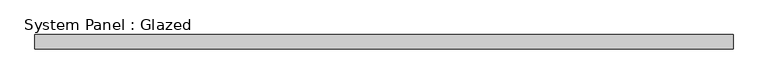
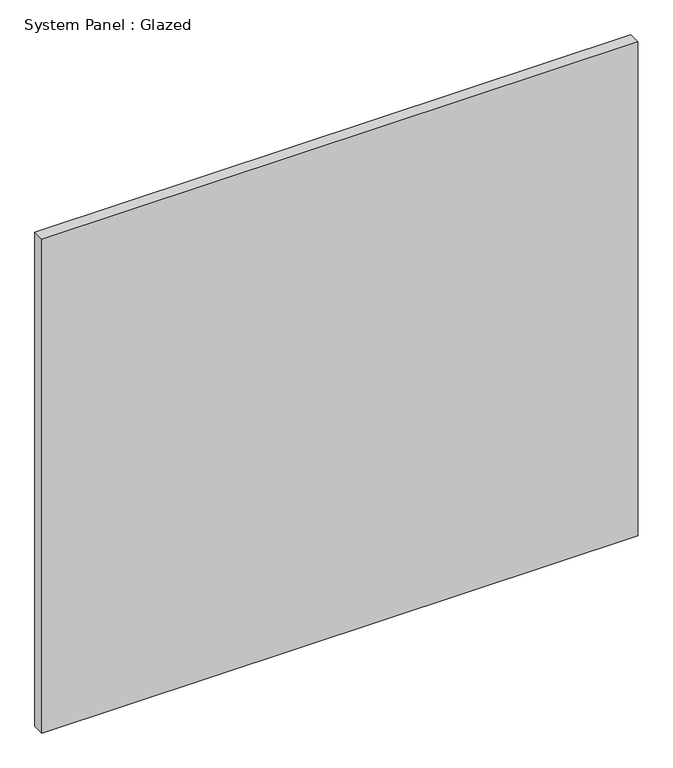
"""IFC4 building model written with IfcOpenShell, lengths in millimetres: plate geometry, System Panel : Glazed."""

from ifc_helpers import new_model, si_unit, origin, origin_with_axes, place, context, project, spatial, polyline, outline, extrude, source, transform, mapped, element, save


def system_panel_glazed_b8a5b8cb(model_context):
    return source(origin(), model_context, "Body", "SweptSolid", [
        extrude(outline(polyline([(610.0000002, 24.5), (-610.0000002, 24.5), (-610.0000002, 49.5), (610.0000002, 49.5), (610.0000002, 24.5)])), origin_with_axes(), (0.0, 0.0, 1.0), 1069.3619882),
    ])


if __name__ == "__main__":
    model = new_model("IFC4")
    model_context = context("Model", 3, world=origin())
    ifc_project = project(units=[si_unit("LENGTHUNIT", "METRE", prefix="MILLI")], contexts=[model_context])
    site = spatial("IfcSite", under=ifc_project)
    building = spatial("IfcBuilding", under=site)
    placement = place(None, origin())
    system_panel_glazed_shape = system_panel_glazed_b8a5b8cb(model_context)
    element("IfcPlate", 1, ObjectType="System Panel : Glazed", at=placement, inside=building, context=model_context, shape_type="MappedRepresentation", body=[
        mapped(system_panel_glazed_shape, transform((0.0, 0.0, 0.0), x_axis=(1.0, 0.0, 0.0), y_axis=(0.0, 1.0, 0.0), z_axis=(0.0, 0.0, 1.0))),
    ])
    save(model, "model.ifc")
